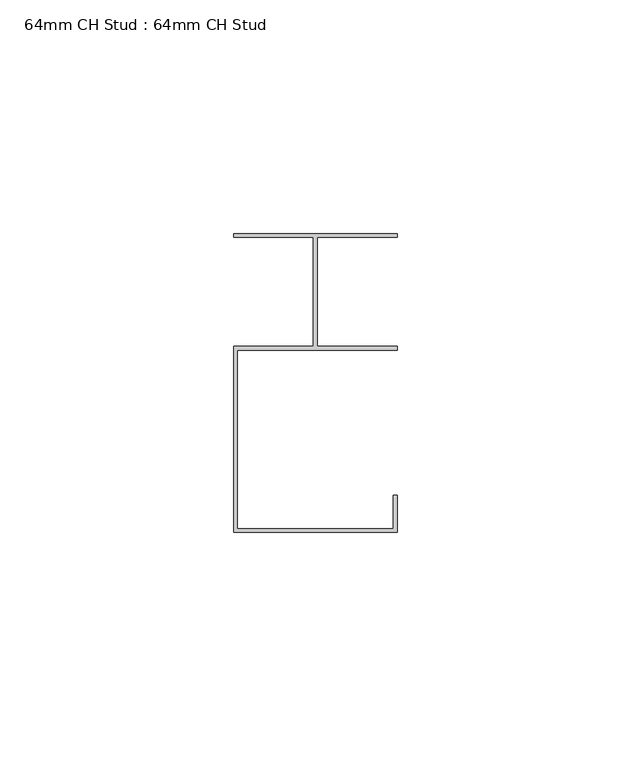
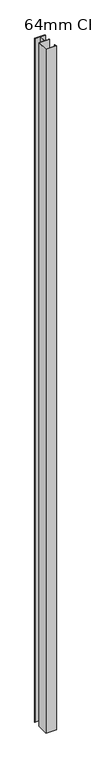
"""IFC4 building model written with IfcOpenShell, lengths in millimetres: proxy geometry, 64mm CH Stud : 64mm CH Stud."""

from ifc_helpers import new_model, si_unit, origin, origin_with_axes, place, context, project, spatial, polyline, outline, extrude, source, transform, mapped, element, save


def proxy_64mm_ch_stud_64mm_ch_stud_03fd2ba2(model_context):
    return source(origin(), model_context, "Body", "SweptSolid", [
        extrude(outline(polyline([(17.5, 32.0), (17.5, 31.2), (0.4, 31.2), (0.4, 7.8288705), (17.5, 7.8288705), (17.5, 7.0288705), (-16.7, 7.0288705), (-16.7, -31.2000136), (16.6886225, -31.2000136), (16.6886225, -24.0136916), (17.5, -24.0136916), (17.5, -32.0), (-17.5, -32.0), (-17.5, 7.8288705), (-0.4, 7.8288705), (-0.4, 31.2), (-17.5, 31.2), (-17.5, 32.0), (17.5, 32.0)])), origin_with_axes(), (0.0, 0.0, 1.0), 2400.0),
    ])


if __name__ == "__main__":
    model = new_model("IFC4")
    model_context = context("Model", 3, world=origin())
    ifc_project = project(units=[si_unit("LENGTHUNIT", "METRE", prefix="MILLI")], contexts=[model_context])
    site = spatial("IfcSite", under=ifc_project)
    building = spatial("IfcBuilding", under=site)
    placement = place(None, origin())
    proxy_64mm_ch_stud_64mm_ch_stud_shape = proxy_64mm_ch_stud_64mm_ch_stud_03fd2ba2(model_context)
    element("IfcBuildingElementProxy", 1, Name="64mm CH Stud : 64mm CH Stud", ObjectType="64mm CH Stud : 64mm CH Stud", at=placement, inside=building, context=model_context, shape_type="MappedRepresentation", body=[
        mapped(proxy_64mm_ch_stud_64mm_ch_stud_shape, transform((0.0, 0.0, 0.0), x_axis=(1.0, 0.0, 0.0), y_axis=(0.0, 1.0, 0.0), z_axis=(0.0, 0.0, 1.0))),
    ])
    save(model, "model.ifc")
